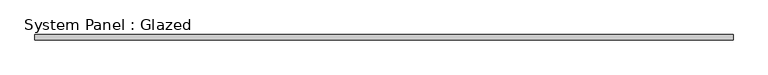
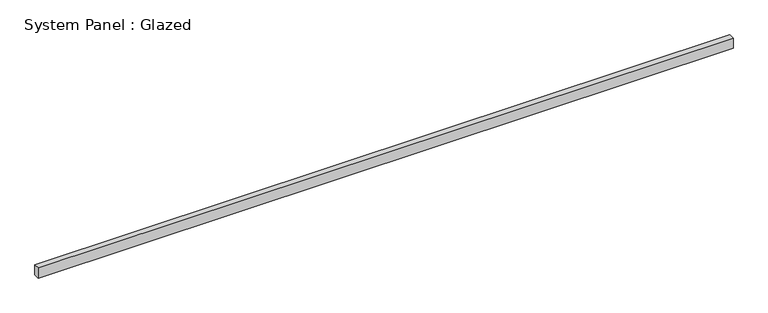
"""IFC4 building model written with IfcOpenShell, lengths in millimetres: plate geometry, System Panel : Glazed."""

import ifcopenshell
import ifcopenshell.guid

model = None  # the IFC model being written
_history = None  # IfcOwnerHistory: only IFC2X3 demands one
_inside = {}  # id of a spatial element -> (the spatial element, [elements in it])
_under = {}  # id of a project, library or spatial element -> (it, [spatial elements below it])
_declared = {}  # id of a project -> (the project, [libraries it declares])
_typed = {}  # id of a type object -> (the type object, [elements of that type])
_made_of = {}  # id of a material, layer set ... -> (it, [elements and type objects made of it])


def new_model(schema):
    """Start an empty IFC model of exactly this schema.

    Asked for "IFC4X3", IfcOpenShell would pick the latest addendum, in which some entities
    have other attributes; the version numbers below select the first issue.
    IFC2X3 requires an IfcOwnerHistory on every rooted entity: one is made here for all.
    """
    global model, _history
    if schema == "IFC4X3":
        model = ifcopenshell.file(schema_version=(4, 3, 0, 0))
    else:
        model = ifcopenshell.file(schema=schema)
    _inside.clear()
    _under.clear()
    _declared.clear()
    _typed.clear()
    _made_of.clear()
    _history = None
    if model.schema == "IFC2X3":
        org = make("IfcOrganization", Name="unknown")
        user = make(
            "IfcPersonAndOrganization",
            ThePerson=make("IfcPerson", FamilyName="unknown"),
            TheOrganization=org,
        )
        app = make(
            "IfcApplication",
            ApplicationDeveloper=org,
            Version="unknown",
            ApplicationFullName="unknown",
            ApplicationIdentifier="unknown",
        )
        _history = make(
            "IfcOwnerHistory",
            OwningUser=user,
            OwningApplication=app,
            ChangeAction="ADDED",
            CreationDate=0,
        )
    return model


def make(cls, **values):
    """One entity of the class cls with the attributes given. An attribute that is None is left unset."""
    return model.create_entity(
        cls, **{name: value for name, value in values.items() if value is not None}
    )


def rooted(cls, **values):
    """An entity with a GlobalId (a new one), such as an element, a storey or a relation."""
    return make(cls, GlobalId=ifcopenshell.guid.new(), OwnerHistory=_history, **values)


def si_unit(unit_type, name, prefix=None):
    """IfcSIUnit, for example si_unit("LENGTHUNIT", "METRE", prefix="MILLI")."""
    return make("IfcSIUnit", UnitType=unit_type, Prefix=prefix, Name=name)


def assignment(units):
    """IfcUnitAssignment: the units of a project."""
    return None if units is None else make("IfcUnitAssignment", Units=units)


def point(xyz):
    """IfcCartesianPoint."""
    return None if xyz is None else make("IfcCartesianPoint", Coordinates=xyz)


def direction(xyz):
    """IfcDirection."""
    return None if xyz is None else make("IfcDirection", DirectionRatios=xyz)


def frame(location, z_axis=None, x_axis=None):
    """IfcAxis2Placement3D, a coordinate frame: its origin and axes. An axis left out is left unset."""
    return make(
        "IfcAxis2Placement3D",
        Location=point(location),
        Axis=direction(z_axis),
        RefDirection=direction(x_axis),
    )


def origin():
    """The frame at (0, 0, 0) with its axes left unset."""
    return frame((0.0, 0.0, 0.0))


def origin_with_axes():
    """The frame at (0, 0, 0) with the z axis (0, 0, 1) and the x axis (1, 0, 0) written out."""
    return frame((0.0, 0.0, 0.0), z_axis=(0.0, 0.0, 1.0), x_axis=(1.0, 0.0, 0.0))


def place(relative_to, where):
    """IfcLocalPlacement: puts the frame where relative to a parent placement (None: the world)."""
    return make(
        "IfcLocalPlacement", PlacementRelTo=relative_to, RelativePlacement=where
    )


def context(
    kind, dimensions, precision=None, world=None, true_north=None, identifier=None
):
    """IfcGeometricRepresentationContext, for example the 3D "Model" context."""
    return make(
        "IfcGeometricRepresentationContext",
        ContextIdentifier=identifier,
        ContextType=kind,
        CoordinateSpaceDimension=dimensions,
        Precision=precision,
        WorldCoordinateSystem=world,
        TrueNorth=true_north,
    )


def project(units=None, contexts=None):
    """IfcProject with its units and contexts."""
    return rooted(
        "IfcProject",
        Name="project",
        RepresentationContexts=contexts,
        UnitsInContext=assignment(units),
    )


def spatial(cls, under=None, at=None, **own):
    """A site, building, storey or space (cls), placed at a placement, below another one or the project."""
    s = rooted(cls, ObjectPlacement=at, **own)
    if under is not None:
        _under.setdefault(under.id(), (under, []))[1].append(s)
    return s


def polyline(points):
    """IfcPolyline through the points."""
    return make("IfcPolyline", Points=[point(p) for p in points])


def outline(outer, holes=None, kind="AREA"):
    """IfcArbitraryClosedProfileDef: a profile drawn as a closed curve; with holes, ...WithVoids."""
    if holes is None:
        return make("IfcArbitraryClosedProfileDef", ProfileType=kind, OuterCurve=outer)
    return make(
        "IfcArbitraryProfileDefWithVoids",
        ProfileType=kind,
        OuterCurve=outer,
        InnerCurves=holes,
    )


def extrude(swept, where, along, depth):
    """IfcExtrudedAreaSolid: the profile swept, set in the frame where, extruded along a direction by depth."""
    return make(
        "IfcExtrudedAreaSolid",
        SweptArea=swept,
        Position=where,
        ExtrudedDirection=direction(along),
        Depth=depth,
    )


def shape(context_of_items, identifier, shape_type, items):
    """IfcShapeRepresentation: the items that make up one representation, for example the "Body"."""
    return make(
        "IfcShapeRepresentation",
        ContextOfItems=context_of_items,
        RepresentationIdentifier=identifier,
        RepresentationType=shape_type,
        Items=items,
    )


def source(mapping_origin, context_of_items, identifier, shape_type, items):
    """IfcRepresentationMap: a shape defined once, which mapped items show again and again."""
    return make(
        "IfcRepresentationMap",
        MappingOrigin=mapping_origin,
        MappedRepresentation=shape(context_of_items, identifier, shape_type, items),
    )


def transform(
    local_origin,
    x_axis=None,
    y_axis=None,
    z_axis=None,
    scale=None,
    scale2=None,
    scale3=None,
    uniform=True,
):
    """IfcCartesianTransformationOperator3D, or its non-uniform kind. x_axis, y_axis, z_axis: its Axis1, 2, 3."""
    if uniform:
        return make(
            "IfcCartesianTransformationOperator3D",
            Axis1=direction(x_axis),
            Axis2=direction(y_axis),
            LocalOrigin=point(local_origin),
            Scale=scale,
            Axis3=direction(z_axis),
        )
    return make(
        "IfcCartesianTransformationOperator3DnonUniform",
        Axis1=direction(x_axis),
        Axis2=direction(y_axis),
        LocalOrigin=point(local_origin),
        Scale=scale,
        Axis3=direction(z_axis),
        Scale2=scale2,
        Scale3=scale3,
    )


def mapped(mapping_source, mapping_target):
    """IfcMappedItem: shows the shape of a source again, moved by a transform."""
    return make(
        "IfcMappedItem", MappingSource=mapping_source, MappingTarget=mapping_target
    )


def made_of(thing, what):
    """Note that an element or type object is made of a material, layer set ...; save() writes the relation."""
    if what is not None:
        _made_of.setdefault(what.id(), (what, []))[1].append(thing)
    return thing


def element(
    cls,
    number,
    at=None,
    inside=None,
    cuts=None,
    type_object=None,
    material=None,
    context=None,
    identifier="Body",
    shape_type=None,
    held_by="IfcProductDefinitionShape",
    body=None,
    shapes=None,
    **own,
):
    """One element of the class cls, such as IfcWall. Its Tag is "e" and its number.

    at: its placement. inside: the storey or other place that contains it. cuts: it is an
    opening in that element (IfcRelVoidsElement). A single representation is given by context,
    identifier, shape_type and body (its items); several are given by shapes. held_by: the class
    of the entity that holds the representations. save() writes the other relations.
    """
    e = rooted(cls, Tag="e%d" % number, ObjectPlacement=at, **own)
    if body is not None:
        shapes = [shape(context, identifier, shape_type, body)]
    if shapes is not None:
        e.Representation = make(held_by, Representations=shapes)
    if inside is not None:
        _inside.setdefault(inside.id(), (inside, []))[1].append(e)
    if cuts is not None:
        rooted(
            "IfcRelVoidsElement", RelatingBuildingElement=cuts, RelatedOpeningElement=e
        )
    if type_object is not None:
        _typed.setdefault(type_object.id(), (type_object, []))[1].append(e)
    return made_of(e, material)


def aggregate(whole, parts):
    """IfcRelAggregates: a whole, such as a stair, and the parts it consists of."""
    return rooted("IfcRelAggregates", RelatingObject=whole, RelatedObjects=parts)


def save(model, path):
    """Write the relations noted so far, then the file.

    IfcRelAggregates (storeys below a building ...), IfcRelContainedInSpatialStructure (elements
    in a storey), IfcRelDefinesByType, IfcRelAssociatesMaterial and IfcRelDeclares: one each for
    every whole, place, type object, material and project.
    """
    for whole, parts in _under.values():
        aggregate(whole, parts)
    for where, things in _inside.values():
        rooted(
            "IfcRelContainedInSpatialStructure",
            RelatedElements=things,
            RelatingStructure=where,
        )
    for kind, things in _typed.values():
        rooted("IfcRelDefinesByType", RelatedObjects=things, RelatingType=kind)
    for what, things in _made_of.values():
        rooted("IfcRelAssociatesMaterial", RelatedObjects=things, RelatingMaterial=what)
    for by, libraries in _declared.values():
        rooted("IfcRelDeclares", RelatingContext=by, RelatedDefinitions=libraries)
    model.write(path)


def system_panel_glazed_09022dc3(model_context):
    return source(origin(), model_context, "Body", "SweptSolid", [
        extrude(outline(polyline([(1590.1429847, 24.5), (-1590.1429847, 24.5), (-1590.1429847, 49.5), (1590.1429847, 49.5), (1590.1429847, 24.5)])), origin_with_axes(), (0.0, 0.0, 1.0), 50.0),
    ])


if __name__ == "__main__":
    model = new_model("IFC4")
    model_context = context("Model", 3, world=origin())
    ifc_project = project(units=[si_unit("LENGTHUNIT", "METRE", prefix="MILLI")], contexts=[model_context])
    site = spatial("IfcSite", under=ifc_project)
    building = spatial("IfcBuilding", under=site)
    placement = place(None, origin())
    system_panel_glazed_shape = system_panel_glazed_09022dc3(model_context)
    element("IfcPlate", 1, ObjectType="System Panel : Glazed", at=placement, inside=building, context=model_context, shape_type="MappedRepresentation", body=[
        mapped(system_panel_glazed_shape, transform((0.0, 0.0, 0.0), x_axis=(1.0, 0.0, 0.0), y_axis=(0.0, 1.0, 0.0), z_axis=(0.0, 0.0, 1.0))),
    ])
    save(model, "model.ifc")
